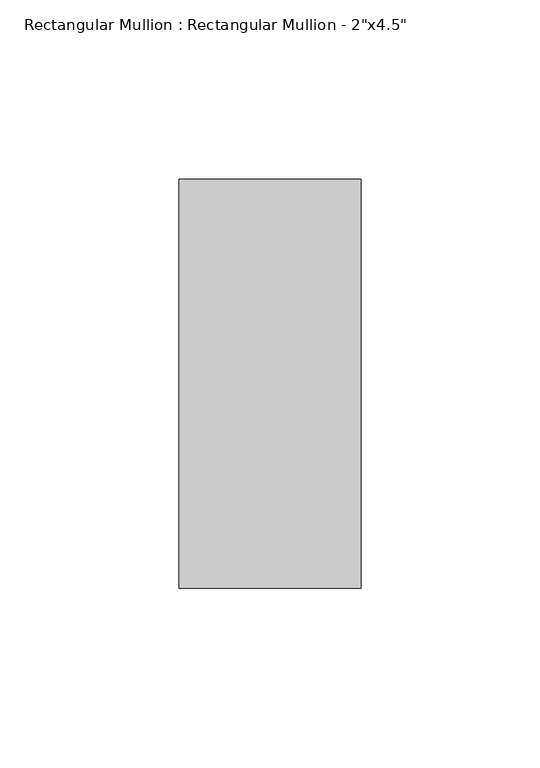
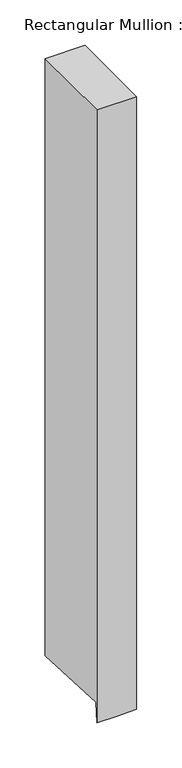
"""IFC4 building model written with IfcOpenShell, lengths in millimetres: member geometry."""

from ifc_helpers import new_model, si_unit, origin, place, context, project, spatial, faceted_brep, source, transform, mapped, element, save


def member_9145cba2(model_context):
    return source(origin(), model_context, "Body", "Brep", [
        faceted_brep([(25.4, 57.15, 0.0), (-25.4, 57.15, 0.0), (-25.4, -57.15, 0.0), (25.4, -57.15, 0.0), (25.4, 57.15, -804.9852222), (0.0, 57.15, -804.9852222), (-25.4, 57.15, -804.9852222), (-25.4, -55.6346001, -798.6462141), (-25.4, -57.15, -825.6084403), (0.0, -57.15, -825.6084403), (25.4, -57.15, -825.6084403), (25.4, -55.6346001, -798.6462141), (0.0, -55.6346001, -798.6462141)], [[[0, 1, 2, 3]], [[1, 0, 4, 5, 6]], [[2, 1, 6, 7, 8]], [[3, 2, 8, 9, 10]], [[0, 3, 10, 11, 4]], [[4, 11, 12, 5]], [[11, 10, 9, 12]], [[9, 8, 7, 12]], [[7, 6, 5, 12]]]),
    ])


if __name__ == "__main__":
    model = new_model("IFC4")
    model_context = context("Model", 3, world=origin())
    ifc_project = project(units=[si_unit("LENGTHUNIT", "METRE", prefix="MILLI")], contexts=[model_context])
    site = spatial("IfcSite", under=ifc_project)
    building = spatial("IfcBuilding", under=site)
    placement = place(None, origin())
    member_shape = member_9145cba2(model_context)
    element("IfcMember", 1, ObjectType="Rectangular Mullion : Rectangular Mullion - 2\"x4.5\"", at=placement, inside=building, context=model_context, shape_type="MappedRepresentation", body=[
        mapped(member_shape, transform((0.0, 0.0, 0.0), x_axis=(1.0, 0.0, 0.0), y_axis=(0.0, 1.0, 0.0), z_axis=(0.0, 0.0, 1.0))),
    ])
    save(model, "model.ifc")
